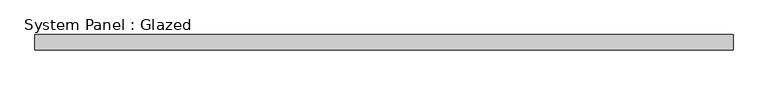
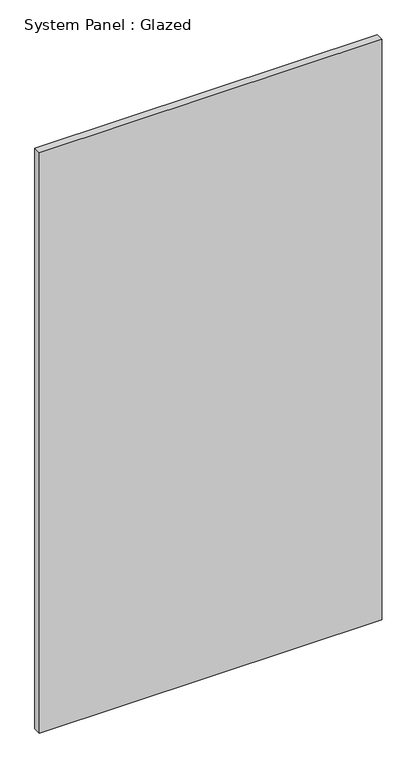
"""IFC4 building model written with IfcOpenShell, lengths in millimetres: plate geometry, System Panel : Glazed."""

import ifcopenshell
import ifcopenshell.guid

model = None  # the IFC model being written
_history = None  # IfcOwnerHistory: only IFC2X3 demands one
_inside = {}  # id of a spatial element -> (the spatial element, [elements in it])
_under = {}  # id of a project, library or spatial element -> (it, [spatial elements below it])
_declared = {}  # id of a project -> (the project, [libraries it declares])
_typed = {}  # id of a type object -> (the type object, [elements of that type])
_made_of = {}  # id of a material, layer set ... -> (it, [elements and type objects made of it])


def new_model(schema):
    """Start an empty IFC model of exactly this schema.

    Asked for "IFC4X3", IfcOpenShell would pick the latest addendum, in which some entities
    have other attributes; the version numbers below select the first issue.
    IFC2X3 requires an IfcOwnerHistory on every rooted entity: one is made here for all.
    """
    global model, _history
    if schema == "IFC4X3":
        model = ifcopenshell.file(schema_version=(4, 3, 0, 0))
    else:
        model = ifcopenshell.file(schema=schema)
    _inside.clear()
    _under.clear()
    _declared.clear()
    _typed.clear()
    _made_of.clear()
    _history = None
    if model.schema == "IFC2X3":
        org = make("IfcOrganization", Name="unknown")
        user = make(
            "IfcPersonAndOrganization",
            ThePerson=make("IfcPerson", FamilyName="unknown"),
            TheOrganization=org,
        )
        app = make(
            "IfcApplication",
            ApplicationDeveloper=org,
            Version="unknown",
            ApplicationFullName="unknown",
            ApplicationIdentifier="unknown",
        )
        _history = make(
            "IfcOwnerHistory",
            OwningUser=user,
            OwningApplication=app,
            ChangeAction="ADDED",
            CreationDate=0,
        )
    return model


def make(cls, **values):
    """One entity of the class cls with the attributes given. An attribute that is None is left unset."""
    return model.create_entity(
        cls, **{name: value for name, value in values.items() if value is not None}
    )


def rooted(cls, **values):
    """An entity with a GlobalId (a new one), such as an element, a storey or a relation."""
    return make(cls, GlobalId=ifcopenshell.guid.new(), OwnerHistory=_history, **values)


def si_unit(unit_type, name, prefix=None):
    """IfcSIUnit, for example si_unit("LENGTHUNIT", "METRE", prefix="MILLI")."""
    return make("IfcSIUnit", UnitType=unit_type, Prefix=prefix, Name=name)


def assignment(units):
    """IfcUnitAssignment: the units of a project."""
    return None if units is None else make("IfcUnitAssignment", Units=units)


def point(xyz):
    """IfcCartesianPoint."""
    return None if xyz is None else make("IfcCartesianPoint", Coordinates=xyz)


def direction(xyz):
    """IfcDirection."""
    return None if xyz is None else make("IfcDirection", DirectionRatios=xyz)


def frame(location, z_axis=None, x_axis=None):
    """IfcAxis2Placement3D, a coordinate frame: its origin and axes. An axis left out is left unset."""
    return make(
        "IfcAxis2Placement3D",
        Location=point(location),
        Axis=direction(z_axis),
        RefDirection=direction(x_axis),
    )


def origin():
    """The frame at (0, 0, 0) with its axes left unset."""
    return frame((0.0, 0.0, 0.0))


def origin_with_axes():
    """The frame at (0, 0, 0) with the z axis (0, 0, 1) and the x axis (1, 0, 0) written out."""
    return frame((0.0, 0.0, 0.0), z_axis=(0.0, 0.0, 1.0), x_axis=(1.0, 0.0, 0.0))


def place(relative_to, where):
    """IfcLocalPlacement: puts the frame where relative to a parent placement (None: the world)."""
    return make(
        "IfcLocalPlacement", PlacementRelTo=relative_to, RelativePlacement=where
    )


def context(
    kind, dimensions, precision=None, world=None, true_north=None, identifier=None
):
    """IfcGeometricRepresentationContext, for example the 3D "Model" context."""
    return make(
        "IfcGeometricRepresentationContext",
        ContextIdentifier=identifier,
        ContextType=kind,
        CoordinateSpaceDimension=dimensions,
        Precision=precision,
        WorldCoordinateSystem=world,
        TrueNorth=true_north,
    )


def project(units=None, contexts=None):
    """IfcProject with its units and contexts."""
    return rooted(
        "IfcProject",
        Name="project",
        RepresentationContexts=contexts,
        UnitsInContext=assignment(units),
    )


def spatial(cls, under=None, at=None, **own):
    """A site, building, storey or space (cls), placed at a placement, below another one or the project."""
    s = rooted(cls, ObjectPlacement=at, **own)
    if under is not None:
        _under.setdefault(under.id(), (under, []))[1].append(s)
    return s


def polyline(points):
    """IfcPolyline through the points."""
    return make("IfcPolyline", Points=[point(p) for p in points])


def outline(outer, holes=None, kind="AREA"):
    """IfcArbitraryClosedProfileDef: a profile drawn as a closed curve; with holes, ...WithVoids."""
    if holes is None:
        return make("IfcArbitraryClosedProfileDef", ProfileType=kind, OuterCurve=outer)
    return make(
        "IfcArbitraryProfileDefWithVoids",
        ProfileType=kind,
        OuterCurve=outer,
        InnerCurves=holes,
    )


def extrude(swept, where, along, depth):
    """IfcExtrudedAreaSolid: the profile swept, set in the frame where, extruded along a direction by depth."""
    return make(
        "IfcExtrudedAreaSolid",
        SweptArea=swept,
        Position=where,
        ExtrudedDirection=direction(along),
        Depth=depth,
    )


def shape(context_of_items, identifier, shape_type, items):
    """IfcShapeRepresentation: the items that make up one representation, for example the "Body"."""
    return make(
        "IfcShapeRepresentation",
        ContextOfItems=context_of_items,
        RepresentationIdentifier=identifier,
        RepresentationType=shape_type,
        Items=items,
    )


def source(mapping_origin, context_of_items, identifier, shape_type, items):
    """IfcRepresentationMap: a shape defined once, which mapped items show again and again."""
    return make(
        "IfcRepresentationMap",
        MappingOrigin=mapping_origin,
        MappedRepresentation=shape(context_of_items, identifier, shape_type, items),
    )


def transform(
    local_origin,
    x_axis=None,
    y_axis=None,
    z_axis=None,
    scale=None,
    scale2=None,
    scale3=None,
    uniform=True,
):
    """IfcCartesianTransformationOperator3D, or its non-uniform kind. x_axis, y_axis, z_axis: its Axis1, 2, 3."""
    if uniform:
        return make(
            "IfcCartesianTransformationOperator3D",
            Axis1=direction(x_axis),
            Axis2=direction(y_axis),
            LocalOrigin=point(local_origin),
            Scale=scale,
            Axis3=direction(z_axis),
        )
    return make(
        "IfcCartesianTransformationOperator3DnonUniform",
        Axis1=direction(x_axis),
        Axis2=direction(y_axis),
        LocalOrigin=point(local_origin),
        Scale=scale,
        Axis3=direction(z_axis),
        Scale2=scale2,
        Scale3=scale3,
    )


def mapped(mapping_source, mapping_target):
    """IfcMappedItem: shows the shape of a source again, moved by a transform."""
    return make(
        "IfcMappedItem", MappingSource=mapping_source, MappingTarget=mapping_target
    )


def made_of(thing, what):
    """Note that an element or type object is made of a material, layer set ...; save() writes the relation."""
    if what is not None:
        _made_of.setdefault(what.id(), (what, []))[1].append(thing)
    return thing


def element(
    cls,
    number,
    at=None,
    inside=None,
    cuts=None,
    type_object=None,
    material=None,
    context=None,
    identifier="Body",
    shape_type=None,
    held_by="IfcProductDefinitionShape",
    body=None,
    shapes=None,
    **own,
):
    """One element of the class cls, such as IfcWall. Its Tag is "e" and its number.

    at: its placement. inside: the storey or other place that contains it. cuts: it is an
    opening in that element (IfcRelVoidsElement). A single representation is given by context,
    identifier, shape_type and body (its items); several are given by shapes. held_by: the class
    of the entity that holds the representations. save() writes the other relations.
    """
    e = rooted(cls, Tag="e%d" % number, ObjectPlacement=at, **own)
    if body is not None:
        shapes = [shape(context, identifier, shape_type, body)]
    if shapes is not None:
        e.Representation = make(held_by, Representations=shapes)
    if inside is not None:
        _inside.setdefault(inside.id(), (inside, []))[1].append(e)
    if cuts is not None:
        rooted(
            "IfcRelVoidsElement", RelatingBuildingElement=cuts, RelatedOpeningElement=e
        )
    if type_object is not None:
        _typed.setdefault(type_object.id(), (type_object, []))[1].append(e)
    return made_of(e, material)


def aggregate(whole, parts):
    """IfcRelAggregates: a whole, such as a stair, and the parts it consists of."""
    return rooted("IfcRelAggregates", RelatingObject=whole, RelatedObjects=parts)


def save(model, path):
    """Write the relations noted so far, then the file.

    IfcRelAggregates (storeys below a building ...), IfcRelContainedInSpatialStructure (elements
    in a storey), IfcRelDefinesByType, IfcRelAssociatesMaterial and IfcRelDeclares: one each for
    every whole, place, type object, material and project.
    """
    for whole, parts in _under.values():
        aggregate(whole, parts)
    for where, things in _inside.values():
        rooted(
            "IfcRelContainedInSpatialStructure",
            RelatedElements=things,
            RelatingStructure=where,
        )
    for kind, things in _typed.values():
        rooted("IfcRelDefinesByType", RelatedObjects=things, RelatingType=kind)
    for what, things in _made_of.values():
        rooted("IfcRelAssociatesMaterial", RelatedObjects=things, RelatingMaterial=what)
    for by, libraries in _declared.values():
        rooted("IfcRelDeclares", RelatingContext=by, RelatedDefinitions=libraries)
    model.write(path)


def system_panel_glazed_76d7ee11(model_context):
    return source(origin(), model_context, "Body", "SweptSolid", [
        extrude(outline(polyline([(577.85, 19.05), (-577.85, 19.05), (-577.85, 44.45), (577.85, 44.45), (577.85, 19.05)])), origin_with_axes(), (0.0, 0.0, 1.0), 2070.1),
    ])


if __name__ == "__main__":
    model = new_model("IFC4")
    model_context = context("Model", 3, world=origin())
    ifc_project = project(units=[si_unit("LENGTHUNIT", "METRE", prefix="MILLI")], contexts=[model_context])
    site = spatial("IfcSite", under=ifc_project)
    building = spatial("IfcBuilding", under=site)
    placement = place(None, origin())
    system_panel_glazed_shape = system_panel_glazed_76d7ee11(model_context)
    element("IfcPlate", 1, ObjectType="System Panel : Glazed", at=placement, inside=building, context=model_context, shape_type="MappedRepresentation", body=[
        mapped(system_panel_glazed_shape, transform((0.0, 0.0, 0.0), x_axis=(1.0, 0.0, 0.0), y_axis=(0.0, 1.0, 0.0), z_axis=(0.0, 0.0, 1.0))),
    ])
    save(model, "model.ifc")
